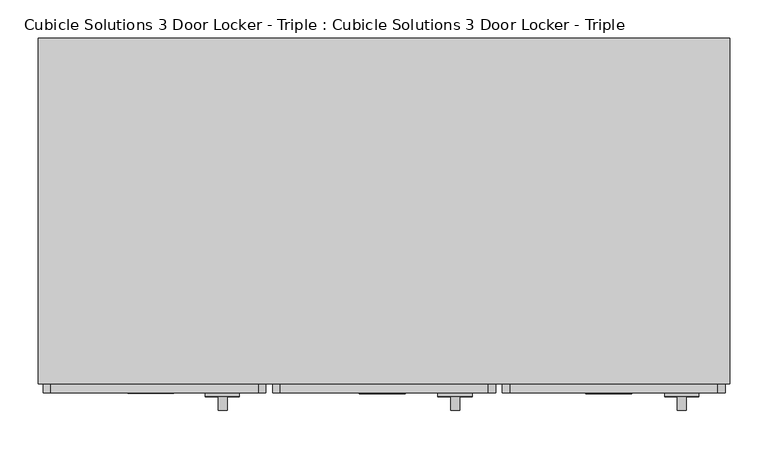
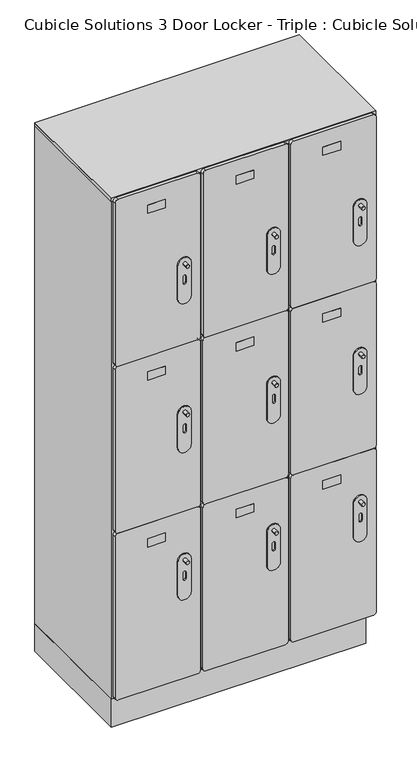
"""IFC4 building model written with IfcOpenShell, lengths in millimetres: proxy geometry, Cubicle Solutions 3 Door Locker - Triple : Cubicle Solutions 3 Door Locker - Triple."""

from ifc_helpers import new_model, si_unit, point, frame, frame_2d, origin, origin_with_axes, place, context, project, spatial, polyline, circle_curve, trimmed, segment, composite_curve, outline, extrude, source, transform, mapped, element, save


def cubicle_solutions_3_door_locker_triple_cubicle_solutions_3_a6ad592a(model_context):
    return source(origin(), model_context, "Body", "SweptSolid", [
        extrude(outline(composite_curve([segment(polyline([(700.0, 884.1229248), (700.0, 614.1229248)]), True, "CONTINUOUS"), segment(trimmed(circle_curve(frame_2d((690.0, 614.1229248)), 10.0), [point((700.0, 614.1229248))], [point((690.0, 604.1229248))], False, "CARTESIAN"), True, "CONTINUOUS"), segment(polyline([(690.0, 604.1229248), (110.0, 604.1229248)]), True, "CONTINUOUS"), segment(trimmed(circle_curve(frame_2d((110.0, 614.1229248)), 10.0), [point((110.0, 604.1229248))], [point((100.0, 614.1229248))], False, "CARTESIAN"), True, "CONTINUOUS"), segment(polyline([(100.0, 614.1229248), (100.0, 884.1229248)]), True, "CONTINUOUS"), segment(trimmed(circle_curve(frame_2d((110.0, 884.1229248)), 10.0), [point((100.0, 884.1229248))], [point((110.0, 894.1229248))], False, "CARTESIAN"), True, "CONTINUOUS"), segment(polyline([(110.0, 894.1229248), (690.0, 894.1229248)]), True, "CONTINUOUS"), segment(trimmed(circle_curve(frame_2d((690.0, 884.1229248)), 10.0), [point((690.0, 894.1229248))], [point((700.0, 884.1229248))], False, "CARTESIAN"), True, "CONTINUOUS")], self_intersect=False)), frame((0.0, -12.0, 0.0), z_axis=(0.0, 1.0, 0.0), x_axis=(0.0, 0.0, 1.0)), (0.0, 0.0, 1.0), 12.0),
        extrude(outline(composite_curve([segment(polyline([(1899.9999569, 585.2186279), (1899.9999569, 315.2186279)]), True, "CONTINUOUS"), segment(trimmed(circle_curve(frame_2d((1889.9999569, 315.2186279)), 10.0), [point((1899.9999569, 315.2186279))], [point((1889.9999569, 305.2186279))], False, "CARTESIAN"), True, "CONTINUOUS"), segment(polyline([(1889.9999569, 305.2186279), (1309.9999569, 305.2186279)]), True, "CONTINUOUS"), segment(trimmed(circle_curve(frame_2d((1309.9999569, 315.2186279)), 10.0), [point((1309.9999569, 305.2186279))], [point((1299.9999569, 315.2186279))], False, "CARTESIAN"), True, "CONTINUOUS"), segment(polyline([(1299.9999569, 315.2186279), (1299.9999569, 585.2186279)]), True, "CONTINUOUS"), segment(trimmed(circle_curve(frame_2d((1309.9999569, 585.2186279)), 10.0), [point((1299.9999569, 585.2186279))], [point((1309.9999569, 595.2186279))], False, "CARTESIAN"), True, "CONTINUOUS"), segment(polyline([(1309.9999569, 595.2186279), (1889.9999569, 595.2186279)]), True, "CONTINUOUS"), segment(trimmed(circle_curve(frame_2d((1889.9999569, 585.2186279)), 10.0), [point((1889.9999569, 595.2186279))], [point((1899.9999569, 585.2186279))], False, "CARTESIAN"), True, "CONTINUOUS")], self_intersect=False)), frame((0.0, -12.0009766, 0.0), z_axis=(0.0, 1.0, 0.0), x_axis=(0.0, 0.0, 1.0)), (0.0, 0.0, 1.0), 12.0),
        extrude(outline(composite_curve([segment(polyline([(1900.0, 286.25), (1900.0, 16.25)]), True, "CONTINUOUS"), segment(trimmed(circle_curve(frame_2d((1890.0, 16.25)), 10.0), [point((1900.0, 16.25))], [point((1890.0, 6.25))], False, "CARTESIAN"), True, "CONTINUOUS"), segment(polyline([(1890.0, 6.25), (1310.0, 6.25)]), True, "CONTINUOUS"), segment(trimmed(circle_curve(frame_2d((1310.0, 16.25)), 10.0), [point((1310.0, 6.25))], [point((1300.0, 16.25))], False, "CARTESIAN"), True, "CONTINUOUS"), segment(polyline([(1300.0, 16.25), (1300.0, 286.25)]), True, "CONTINUOUS"), segment(trimmed(circle_curve(frame_2d((1310.0, 286.25)), 10.0), [point((1300.0, 286.25))], [point((1310.0, 296.25))], False, "CARTESIAN"), True, "CONTINUOUS"), segment(polyline([(1310.0, 296.25), (1890.0, 296.25)]), True, "CONTINUOUS"), segment(trimmed(circle_curve(frame_2d((1890.0, 286.25)), 10.0), [point((1890.0, 296.25))], [point((1900.0, 286.25))], False, "CARTESIAN"), True, "CONTINUOUS")], self_intersect=False)), frame((0.0, -12.0, 0.0), z_axis=(0.0, 1.0, 0.0), x_axis=(0.0, 0.0, 1.0)), (0.0, 0.0, 1.0), 12.0),
        extrude(outline(composite_curve([segment(polyline([(1300.0, 884.1229248), (1300.0, 614.1229248)]), True, "CONTINUOUS"), segment(trimmed(circle_curve(frame_2d((1290.0, 614.1229248)), 10.0), [point((1300.0, 614.1229248))], [point((1290.0, 604.1229248))], False, "CARTESIAN"), True, "CONTINUOUS"), segment(polyline([(1290.0, 604.1229248), (710.0, 604.1229248)]), True, "CONTINUOUS"), segment(trimmed(circle_curve(frame_2d((710.0, 614.1229248)), 10.0), [point((710.0, 604.1229248))], [point((700.0, 614.1229248))], False, "CARTESIAN"), True, "CONTINUOUS"), segment(polyline([(700.0, 614.1229248), (700.0, 884.1229248)]), True, "CONTINUOUS"), segment(trimmed(circle_curve(frame_2d((710.0, 884.1229248)), 10.0), [point((700.0, 884.1229248))], [point((710.0, 894.1229248))], False, "CARTESIAN"), True, "CONTINUOUS"), segment(polyline([(710.0, 894.1229248), (1290.0, 894.1229248)]), True, "CONTINUOUS"), segment(trimmed(circle_curve(frame_2d((1290.0, 884.1229248)), 10.0), [point((1290.0, 894.1229248))], [point((1300.0, 884.1229248))], False, "CARTESIAN"), True, "CONTINUOUS")], self_intersect=False)), frame((0.0, -12.0, 0.0), z_axis=(0.0, 1.0, 0.0), x_axis=(0.0, 0.0, 1.0)), (0.0, 0.0, 1.0), 12.0),
        extrude(outline(composite_curve([segment(polyline([(1300.0, 585.0623779), (1300.0, 315.0623779)]), True, "CONTINUOUS"), segment(trimmed(circle_curve(frame_2d((1290.0, 315.0623779)), 10.0), [point((1300.0, 315.0623779))], [point((1290.0, 305.0623779))], False, "CARTESIAN"), True, "CONTINUOUS"), segment(polyline([(1290.0, 305.0623779), (710.0, 305.0623779)]), True, "CONTINUOUS"), segment(trimmed(circle_curve(frame_2d((710.0, 315.0623779)), 10.0), [point((710.0, 305.0623779))], [point((700.0, 315.0623779))], False, "CARTESIAN"), True, "CONTINUOUS"), segment(polyline([(700.0, 315.0623779), (700.0, 585.0623779)]), True, "CONTINUOUS"), segment(trimmed(circle_curve(frame_2d((710.0, 585.0623779)), 10.0), [point((700.0, 585.0623779))], [point((710.0, 595.0623779))], False, "CARTESIAN"), True, "CONTINUOUS"), segment(polyline([(710.0, 595.0623779), (1290.0, 595.0623779)]), True, "CONTINUOUS"), segment(trimmed(circle_curve(frame_2d((1290.0, 585.0623779)), 10.0), [point((1290.0, 595.0623779))], [point((1300.0, 585.0623779))], False, "CARTESIAN"), True, "CONTINUOUS")], self_intersect=False)), frame((0.0, -12.0004883, 0.0), z_axis=(0.0, 1.0, 0.0), x_axis=(0.0, 0.0, 1.0)), (0.0, 0.0, 1.0), 12.0),
        extrude(outline(composite_curve([segment(polyline([(1300.0, 286.2578125), (1300.0, 16.2578125)]), True, "CONTINUOUS"), segment(trimmed(circle_curve(frame_2d((1290.0, 16.2578125)), 10.0), [point((1300.0, 16.2578125))], [point((1290.0, 6.2578125))], False, "CARTESIAN"), True, "CONTINUOUS"), segment(polyline([(1290.0, 6.2578125), (710.0, 6.2578125)]), True, "CONTINUOUS"), segment(trimmed(circle_curve(frame_2d((710.0, 16.2578125)), 10.0), [point((710.0, 6.2578125))], [point((700.0, 16.2578125))], False, "CARTESIAN"), True, "CONTINUOUS"), segment(polyline([(700.0, 16.2578125), (700.0, 286.2578125)]), True, "CONTINUOUS"), segment(trimmed(circle_curve(frame_2d((710.0, 286.2578125)), 10.0), [point((700.0, 286.2578125))], [point((710.0, 296.2578125))], False, "CARTESIAN"), True, "CONTINUOUS"), segment(polyline([(710.0, 296.2578125), (1290.0, 296.2578125)]), True, "CONTINUOUS"), segment(trimmed(circle_curve(frame_2d((1290.0, 286.2578125)), 10.0), [point((1290.0, 296.2578125))], [point((1300.0, 286.2578125))], False, "CARTESIAN"), True, "CONTINUOUS")], self_intersect=False)), frame((0.0, -11.9882813, 0.0), z_axis=(0.0, 1.0, 0.0), x_axis=(0.0, 0.0, 1.0)), (0.0, 0.0, 1.0), 12.0),
        extrude(outline(composite_curve([segment(polyline([(1900.0, 884.1229248), (1900.0, 614.1229248)]), True, "CONTINUOUS"), segment(trimmed(circle_curve(frame_2d((1890.0, 614.1229248)), 10.0), [point((1900.0, 614.1229248))], [point((1890.0, 604.1229248))], False, "CARTESIAN"), True, "CONTINUOUS"), segment(polyline([(1890.0, 604.1229248), (1310.0, 604.1229248)]), True, "CONTINUOUS"), segment(trimmed(circle_curve(frame_2d((1310.0, 614.1229248)), 10.0), [point((1310.0, 604.1229248))], [point((1300.0, 614.1229248))], False, "CARTESIAN"), True, "CONTINUOUS"), segment(polyline([(1300.0, 614.1229248), (1300.0, 884.1229248)]), True, "CONTINUOUS"), segment(trimmed(circle_curve(frame_2d((1310.0, 884.1229248)), 10.0), [point((1300.0, 884.1229248))], [point((1310.0, 894.1229248))], False, "CARTESIAN"), True, "CONTINUOUS"), segment(polyline([(1310.0, 894.1229248), (1890.0, 894.1229248)]), True, "CONTINUOUS"), segment(trimmed(circle_curve(frame_2d((1890.0, 884.1229248)), 10.0), [point((1890.0, 894.1229248))], [point((1900.0, 884.1229248))], False, "CARTESIAN"), True, "CONTINUOUS")], self_intersect=False)), frame((0.0, -12.0, 0.0), z_axis=(0.0, 1.0, 0.0), x_axis=(0.0, 0.0, 1.0)), (0.0, 0.0, 1.0), 12.0),
        extrude(outline(composite_curve([segment(polyline([(700.0, 585.0625), (700.0, 315.0625)]), True, "CONTINUOUS"), segment(trimmed(circle_curve(frame_2d((690.0, 315.0625)), 10.0), [point((700.0, 315.0625))], [point((690.0, 305.0625))], False, "CARTESIAN"), True, "CONTINUOUS"), segment(polyline([(690.0, 305.0625), (110.0, 305.0625)]), True, "CONTINUOUS"), segment(trimmed(circle_curve(frame_2d((110.0, 315.0625)), 10.0), [point((110.0, 305.0625))], [point((100.0, 315.0625))], False, "CARTESIAN"), True, "CONTINUOUS"), segment(polyline([(100.0, 315.0625), (100.0, 585.0625)]), True, "CONTINUOUS"), segment(trimmed(circle_curve(frame_2d((110.0, 585.0625)), 10.0), [point((100.0, 585.0625))], [point((110.0, 595.0625))], False, "CARTESIAN"), True, "CONTINUOUS"), segment(polyline([(110.0, 595.0625), (690.0, 595.0625)]), True, "CONTINUOUS"), segment(trimmed(circle_curve(frame_2d((690.0, 585.0625)), 10.0), [point((690.0, 595.0625))], [point((700.0, 585.0625))], False, "CARTESIAN"), True, "CONTINUOUS")], self_intersect=False)), frame((0.0, -12.0, 0.0), z_axis=(0.0, 1.0, 0.0), x_axis=(0.0, 0.0, 1.0)), (0.0, 0.0, 1.0), 12.0),
        extrude(outline(composite_curve([segment(polyline([(700.0, 286.2578125), (700.0, 16.2578125)]), True, "CONTINUOUS"), segment(trimmed(circle_curve(frame_2d((690.0, 16.2578125)), 10.0), [point((700.0, 16.2578125))], [point((690.0, 6.2578125))], False, "CARTESIAN"), True, "CONTINUOUS"), segment(polyline([(690.0, 6.2578125), (110.0, 6.2578125)]), True, "CONTINUOUS"), segment(trimmed(circle_curve(frame_2d((110.0, 16.2578125)), 10.0), [point((110.0, 6.2578125))], [point((100.0, 16.2578125))], False, "CARTESIAN"), True, "CONTINUOUS"), segment(polyline([(100.0, 16.2578125), (100.0, 286.2578125)]), True, "CONTINUOUS"), segment(trimmed(circle_curve(frame_2d((110.0, 286.2578125)), 10.0), [point((100.0, 286.2578125))], [point((110.0, 296.2578125))], False, "CARTESIAN"), True, "CONTINUOUS"), segment(polyline([(110.0, 296.2578125), (690.0, 296.2578125)]), True, "CONTINUOUS"), segment(trimmed(circle_curve(frame_2d((690.0, 286.2578125)), 10.0), [point((690.0, 296.2578125))], [point((700.0, 286.2578125))], False, "CARTESIAN"), True, "CONTINUOUS")], self_intersect=False)), frame((0.0, -12.0, 0.0), z_axis=(0.0, 1.0, 0.0), x_axis=(0.0, 0.0, 1.0)), (0.0, 0.0, 1.0), 12.0),
        extrude(outline(composite_curve([segment(trimmed(circle_curve(frame_2d((1594.2120119, 837.6470765)), 6.0), [point((1594.2120119, 831.6470765))], [point((1594.2120119, 843.6470765))], False, "CARTESIAN"), True, "CONTINUOUS"), segment(trimmed(circle_curve(frame_2d((1594.2120119, 837.6470765)), 6.0), [point((1594.2120119, 843.6470765))], [point((1594.2120119, 831.6470765))], False, "CARTESIAN"), True, "CONTINUOUS")], self_intersect=False)), frame((0.0, -34.7391438, 0.0), z_axis=(0.0, 1.0, 0.0), x_axis=(0.0, 0.0, 1.0)), (0.0, 0.0, 1.0), 22.7391438),
        extrude(outline(composite_curve([segment(trimmed(circle_curve(frame_2d((1594.2120119, 542.6470765)), 6.0), [point((1594.2120119, 536.6470765))], [point((1594.2120119, 548.6470765))], False, "CARTESIAN"), True, "CONTINUOUS"), segment(trimmed(circle_curve(frame_2d((1594.2120119, 542.6470765)), 6.0), [point((1594.2120119, 548.6470765))], [point((1594.2120119, 536.6470765))], False, "CARTESIAN"), True, "CONTINUOUS")], self_intersect=False)), frame((0.0, -34.7391438, 0.0), z_axis=(0.0, 1.0, 0.0), x_axis=(0.0, 0.0, 1.0)), (0.0, 0.0, 1.0), 22.7391438),
        extrude(outline(composite_curve([segment(trimmed(circle_curve(frame_2d((1594.2120119, 240.1470765)), 6.0), [point((1594.2120119, 234.1470765))], [point((1594.2120119, 246.1470765))], False, "CARTESIAN"), True, "CONTINUOUS"), segment(trimmed(circle_curve(frame_2d((1594.2120119, 240.1470765)), 6.0), [point((1594.2120119, 246.1470765))], [point((1594.2120119, 234.1470765))], False, "CARTESIAN"), True, "CONTINUOUS")], self_intersect=False)), frame((0.0, -34.7391438, 0.0), z_axis=(0.0, 1.0, 0.0), x_axis=(0.0, 0.0, 1.0)), (0.0, 0.0, 1.0), 22.7391438),
        extrude(outline(composite_curve([segment(trimmed(circle_curve(frame_2d((1060.4620119, 837.6470765)), 6.0), [point((1060.4620119, 831.6470765))], [point((1060.4620119, 843.6470765))], False, "CARTESIAN"), True, "CONTINUOUS"), segment(trimmed(circle_curve(frame_2d((1060.4620119, 837.6470765)), 6.0), [point((1060.4620119, 843.6470765))], [point((1060.4620119, 831.6470765))], False, "CARTESIAN"), True, "CONTINUOUS")], self_intersect=False)), frame((0.0, -34.7391438, 0.0), z_axis=(0.0, 1.0, 0.0), x_axis=(0.0, 0.0, 1.0)), (0.0, 0.0, 1.0), 22.7391438),
        extrude(outline(composite_curve([segment(trimmed(circle_curve(frame_2d((1060.4620119, 542.6470765)), 6.0), [point((1060.4620119, 536.6470765))], [point((1060.4620119, 548.6470765))], False, "CARTESIAN"), True, "CONTINUOUS"), segment(trimmed(circle_curve(frame_2d((1060.4620119, 542.6470765)), 6.0), [point((1060.4620119, 548.6470765))], [point((1060.4620119, 536.6470765))], False, "CARTESIAN"), True, "CONTINUOUS")], self_intersect=False)), frame((0.0, -34.7391438, 0.0), z_axis=(0.0, 1.0, 0.0), x_axis=(0.0, 0.0, 1.0)), (0.0, 0.0, 1.0), 22.7391438),
        extrude(outline(composite_curve([segment(trimmed(circle_curve(frame_2d((1060.4620119, 240.1470765)), 6.0), [point((1060.4620119, 234.1470765))], [point((1060.4620119, 246.1470765))], False, "CARTESIAN"), True, "CONTINUOUS"), segment(trimmed(circle_curve(frame_2d((1060.4620119, 240.1470765)), 6.0), [point((1060.4620119, 246.1470765))], [point((1060.4620119, 234.1470765))], False, "CARTESIAN"), True, "CONTINUOUS")], self_intersect=False)), frame((0.0, -34.7391438, 0.0), z_axis=(0.0, 1.0, 0.0), x_axis=(0.0, 0.0, 1.0)), (0.0, 0.0, 1.0), 22.7391438),
        extrude(outline(composite_curve([segment(trimmed(circle_curve(frame_2d((528.5870119, 837.6470765)), 6.0), [point((528.5870119, 831.6470765))], [point((528.5870119, 843.6470765))], False, "CARTESIAN"), True, "CONTINUOUS"), segment(trimmed(circle_curve(frame_2d((528.5870119, 837.6470765)), 6.0), [point((528.5870119, 843.6470765))], [point((528.5870119, 831.6470765))], False, "CARTESIAN"), True, "CONTINUOUS")], self_intersect=False)), frame((0.0, -34.7391438, 0.0), z_axis=(0.0, 1.0, 0.0), x_axis=(0.0, 0.0, 1.0)), (0.0, 0.0, 1.0), 22.7391438),
        extrude(outline(composite_curve([segment(trimmed(circle_curve(frame_2d((528.5870119, 542.6470765)), 6.0), [point((528.5870119, 536.6470765))], [point((528.5870119, 548.6470765))], False, "CARTESIAN"), True, "CONTINUOUS"), segment(trimmed(circle_curve(frame_2d((528.5870119, 542.6470765)), 6.0), [point((528.5870119, 548.6470765))], [point((528.5870119, 536.6470765))], False, "CARTESIAN"), True, "CONTINUOUS")], self_intersect=False)), frame((0.0, -34.7391438, 0.0), z_axis=(0.0, 1.0, 0.0), x_axis=(0.0, 0.0, 1.0)), (0.0, 0.0, 1.0), 22.7391438),
        extrude(outline(polyline([(899.9979248, 0.0), (0.0, 0.0), (0.0, 450.0000043), (899.9979248, 450.0000043), (899.9979248, 0.0)])), frame((0.0, 0.0, 1890.1581831), z_axis=(0.0, 0.0, 1.0), x_axis=(1.0, 0.0, 0.0)), (0.0, 0.0, 1.0), 12.0),
        extrude(outline(polyline([(772.4979248, -12.96875), (712.4979248, -12.96875), (712.4979248, -9.1045045), (772.4979248, -9.1045045), (772.4979248, -12.96875)])), frame((0.0, 0.0, 1815.0), z_axis=(0.0, 0.0, 1.0), x_axis=(1.0, 0.0, 0.0)), (0.0, 0.0, 1.0), 30.0),
        extrude(outline(polyline([(477.5, -13.125), (417.5, -13.125), (417.5, -9.2607545), (477.5, -9.2607545), (477.5, -13.125)])), frame((0.0, 0.0, 1815.0), z_axis=(0.0, 0.0, 1.0), x_axis=(1.0, 0.0, 0.0)), (0.0, 0.0, 1.0), 30.0),
        extrude(outline(polyline([(176.5091616, -12.7950801), (116.5091616, -12.7950801), (116.5091616, -8.9308346), (176.5091616, -8.9308346), (176.5091616, -12.7950801)])), frame((0.0, 0.0, 1815.0), z_axis=(0.0, 0.0, 1.0), x_axis=(1.0, 0.0, 0.0)), (0.0, 0.0, 1.0), 30.0),
        extrude(outline(polyline([(772.4979248, -12.96875), (712.4979248, -12.96875), (712.4979248, -9.1045045), (772.4979248, -9.1045045), (772.4979248, -12.96875)])), frame((0.0, 0.0, 614.9989542), z_axis=(0.0, 0.0, 1.0), x_axis=(1.0, 0.0, 0.0)), (0.0, 0.0, 1.0), 30.0),
        extrude(outline(polyline([(477.5, -13.125), (417.5, -13.125), (417.5, -9.2607545), (477.5, -9.2607545), (477.5, -13.125)])), frame((0.0, 0.0, 614.9989542), z_axis=(0.0, 0.0, 1.0), x_axis=(1.0, 0.0, 0.0)), (0.0, 0.0, 1.0), 30.0),
        extrude(outline(polyline([(176.5091616, -12.7950801), (116.5091616, -12.7950801), (116.5091616, -8.9308346), (176.5091616, -8.9308346), (176.5091616, -12.7950801)])), frame((0.0, 0.0, 614.9989542), z_axis=(0.0, 0.0, 1.0), x_axis=(1.0, 0.0, 0.0)), (0.0, 0.0, 1.0), 30.0),
        extrude(outline(polyline([(772.4979248, -12.96875), (712.4979248, -12.96875), (712.4979248, -9.1045045), (772.4979248, -9.1045045), (772.4979248, -12.96875)])), frame((0.0, 0.0, 1214.9989542), z_axis=(0.0, 0.0, 1.0), x_axis=(1.0, 0.0, 0.0)), (0.0, 0.0, 1.0), 30.0),
        extrude(outline(polyline([(477.5, -13.125), (417.5, -13.125), (417.5, -9.2607545), (477.5, -9.2607545), (477.5, -13.125)])), frame((0.0, 0.0, 1214.9989542), z_axis=(0.0, 0.0, 1.0), x_axis=(1.0, 0.0, 0.0)), (0.0, 0.0, 1.0), 30.0),
        extrude(outline(polyline([(176.5091616, -12.7950801), (116.5091616, -12.7950801), (116.5091616, -8.9308346), (176.5091616, -8.9308346), (176.5091616, -12.7950801)])), frame((0.0, 0.0, 1214.9989542), z_axis=(0.0, 0.0, 1.0), x_axis=(1.0, 0.0, 0.0)), (0.0, 0.0, 1.0), 30.0),
        extrude(outline(composite_curve([segment(trimmed(circle_curve(frame_2d((528.5870119, 240.1470765)), 6.0), [point((528.5870119, 234.1470765))], [point((528.5870119, 246.1470765))], False, "CARTESIAN"), True, "CONTINUOUS"), segment(trimmed(circle_curve(frame_2d((528.5870119, 240.1470765)), 6.0), [point((528.5870119, 246.1470765))], [point((528.5870119, 234.1470765))], False, "CARTESIAN"), True, "CONTINUOUS")], self_intersect=False)), frame((0.0, -34.7391438, 0.0), z_axis=(0.0, 1.0, 0.0), x_axis=(0.0, 0.0, 1.0)), (0.0, 0.0, 1.0), 22.7391438),
        extrude(outline(composite_curve([segment(polyline([(1472.3614437, 860.0), (1592.7730247, 860.0)]), True, "CONTINUOUS"), segment(trimmed(circle_curve(frame_2d((1592.7730247, 837.6362334)), 22.3637666), [point((1592.7730247, 860.0))], [point((1592.7730247, 815.2724668))], False, "CARTESIAN"), True, "CONTINUOUS"), segment(polyline([(1592.7730247, 815.2724668), (1472.3614437, 815.2724668)]), True, "CONTINUOUS"), segment(trimmed(circle_curve(frame_2d((1472.3614437, 837.6362334)), 22.3637666), [point((1472.3614437, 815.2724668))], [point((1472.3614437, 860.0))], False, "CARTESIAN"), True, "CONTINUOUS")], self_intersect=False), holes=[composite_curve([segment(polyline([(1525.4717151, 833.0162418), (1546.8434696, 833.0162418)]), True, "CONTINUOUS"), segment(trimmed(circle_curve(frame_2d((1546.8434696, 838.0162418)), 5.0), [point((1546.8434696, 833.0162418))], [point((1546.8434696, 843.0162418))], True, "CARTESIAN"), True, "CONTINUOUS"), segment(polyline([(1546.8434696, 843.0162418), (1525.4717151, 843.0162418)]), True, "CONTINUOUS"), segment(trimmed(circle_curve(frame_2d((1525.4717151, 838.0162418)), 5.0), [point((1525.4717151, 843.0162418))], [point((1525.4717151, 833.0162418))], True, "CARTESIAN"), True, "CONTINUOUS")], self_intersect=False)]), frame((0.0, -16.7868559, 0.0), z_axis=(0.0, 1.0, 0.0), x_axis=(0.0, 0.0, 1.0)), (0.0, 0.0, 1.0), 4.7868559),
        extrude(outline(composite_curve([segment(polyline([(1472.3614437, 565.0), (1592.7730247, 565.0)]), True, "CONTINUOUS"), segment(trimmed(circle_curve(frame_2d((1592.7730247, 542.6362334)), 22.3637666), [point((1592.7730247, 565.0))], [point((1592.7730247, 520.2724668))], False, "CARTESIAN"), True, "CONTINUOUS"), segment(polyline([(1592.7730247, 520.2724668), (1472.3614437, 520.2724668)]), True, "CONTINUOUS"), segment(trimmed(circle_curve(frame_2d((1472.3614437, 542.6362334)), 22.3637666), [point((1472.3614437, 520.2724668))], [point((1472.3614437, 565.0))], False, "CARTESIAN"), True, "CONTINUOUS")], self_intersect=False), holes=[composite_curve([segment(polyline([(1525.4717151, 538.0162418), (1546.8434696, 538.0162418)]), True, "CONTINUOUS"), segment(trimmed(circle_curve(frame_2d((1546.8434696, 543.0162418)), 5.0), [point((1546.8434696, 538.0162418))], [point((1546.8434696, 548.0162418))], True, "CARTESIAN"), True, "CONTINUOUS"), segment(polyline([(1546.8434696, 548.0162418), (1525.4717151, 548.0162418)]), True, "CONTINUOUS"), segment(trimmed(circle_curve(frame_2d((1525.4717151, 543.0162418)), 5.0), [point((1525.4717151, 548.0162418))], [point((1525.4717151, 538.0162418))], True, "CARTESIAN"), True, "CONTINUOUS")], self_intersect=False)]), frame((0.0, -16.7868559, 0.0), z_axis=(0.0, 1.0, 0.0), x_axis=(0.0, 0.0, 1.0)), (0.0, 0.0, 1.0), 4.7868559),
        extrude(outline(composite_curve([segment(polyline([(1472.3614437, 261.8383809), (1592.7730247, 261.8383809)]), True, "CONTINUOUS"), segment(trimmed(circle_curve(frame_2d((1592.7730247, 239.4746143)), 22.3637666), [point((1592.7730247, 261.8383809))], [point((1592.7730247, 217.1108477))], False, "CARTESIAN"), True, "CONTINUOUS"), segment(polyline([(1592.7730247, 217.1108477), (1472.3614437, 217.1108477)]), True, "CONTINUOUS"), segment(trimmed(circle_curve(frame_2d((1472.3614437, 239.4746143)), 22.3637666), [point((1472.3614437, 217.1108477))], [point((1472.3614437, 261.8383809))], False, "CARTESIAN"), True, "CONTINUOUS")], self_intersect=False), holes=[composite_curve([segment(polyline([(1525.4717151, 234.5421227), (1546.8434696, 234.5421227)]), True, "CONTINUOUS"), segment(trimmed(circle_curve(frame_2d((1546.8434696, 239.5421227)), 5.0), [point((1546.8434696, 234.5421227))], [point((1546.8434696, 244.5421227))], True, "CARTESIAN"), True, "CONTINUOUS"), segment(polyline([(1546.8434696, 244.5421227), (1525.4717151, 244.5421227)]), True, "CONTINUOUS"), segment(trimmed(circle_curve(frame_2d((1525.4717151, 239.5421227)), 5.0), [point((1525.4717151, 244.5421227))], [point((1525.4717151, 234.5421227))], True, "CARTESIAN"), True, "CONTINUOUS")], self_intersect=False)]), frame((0.0, -16.7868559, 0.0), z_axis=(0.0, 1.0, 0.0), x_axis=(0.0, 0.0, 1.0)), (0.0, 0.0, 1.0), 4.7868559),
        extrude(outline(composite_curve([segment(polyline([(937.224725, 860.0), (1057.6363059, 860.0)]), True, "CONTINUOUS"), segment(trimmed(circle_curve(frame_2d((1057.6363059, 837.6362334)), 22.3637666), [point((1057.6363059, 860.0))], [point((1057.6363059, 815.2724668))], False, "CARTESIAN"), True, "CONTINUOUS"), segment(polyline([(1057.6363059, 815.2724668), (937.224725, 815.2724668)]), True, "CONTINUOUS"), segment(trimmed(circle_curve(frame_2d((937.224725, 837.6362334)), 22.3637666), [point((937.224725, 815.2724668))], [point((937.224725, 860.0))], False, "CARTESIAN"), True, "CONTINUOUS")], self_intersect=False), holes=[composite_curve([segment(polyline([(990.3349964, 833.0162418), (1011.7067509, 833.0162418)]), True, "CONTINUOUS"), segment(trimmed(circle_curve(frame_2d((1011.7067509, 838.0162418)), 5.0), [point((1011.7067509, 833.0162418))], [point((1011.7067509, 843.0162418))], True, "CARTESIAN"), True, "CONTINUOUS"), segment(polyline([(1011.7067509, 843.0162418), (990.3349964, 843.0162418)]), True, "CONTINUOUS"), segment(trimmed(circle_curve(frame_2d((990.3349964, 838.0162418)), 5.0), [point((990.3349964, 843.0162418))], [point((990.3349964, 833.0162418))], True, "CARTESIAN"), True, "CONTINUOUS")], self_intersect=False)]), frame((0.0, -16.7868559, 0.0), z_axis=(0.0, 1.0, 0.0), x_axis=(0.0, 0.0, 1.0)), (0.0, 0.0, 1.0), 4.7868559),
        extrude(outline(composite_curve([segment(polyline([(937.224725, 565.0), (1057.6363059, 565.0)]), True, "CONTINUOUS"), segment(trimmed(circle_curve(frame_2d((1057.6363059, 542.6362334)), 22.3637666), [point((1057.6363059, 565.0))], [point((1057.6363059, 520.2724668))], False, "CARTESIAN"), True, "CONTINUOUS"), segment(polyline([(1057.6363059, 520.2724668), (937.224725, 520.2724668)]), True, "CONTINUOUS"), segment(trimmed(circle_curve(frame_2d((937.224725, 542.6362334)), 22.3637666), [point((937.224725, 520.2724668))], [point((937.224725, 565.0))], False, "CARTESIAN"), True, "CONTINUOUS")], self_intersect=False), holes=[composite_curve([segment(polyline([(990.3349964, 538.9537418), (1011.7067509, 538.9537418)]), True, "CONTINUOUS"), segment(trimmed(circle_curve(frame_2d((1011.7067509, 543.9537418)), 5.0), [point((1011.7067509, 538.9537418))], [point((1011.7067509, 548.9537418))], True, "CARTESIAN"), True, "CONTINUOUS"), segment(polyline([(1011.7067509, 548.9537418), (990.3349964, 548.9537418)]), True, "CONTINUOUS"), segment(trimmed(circle_curve(frame_2d((990.3349964, 543.9537418)), 5.0), [point((990.3349964, 548.9537418))], [point((990.3349964, 538.9537418))], True, "CARTESIAN"), True, "CONTINUOUS")], self_intersect=False)]), frame((0.0, -16.7868559, 0.0), z_axis=(0.0, 1.0, 0.0), x_axis=(0.0, 0.0, 1.0)), (0.0, 0.0, 1.0), 4.7868559),
        extrude(outline(composite_curve([segment(polyline([(937.224725, 261.8383809), (1057.6363059, 261.8383809)]), True, "CONTINUOUS"), segment(trimmed(circle_curve(frame_2d((1057.6363059, 239.4746143)), 22.3637666), [point((1057.6363059, 261.8383809))], [point((1057.6363059, 217.1108477))], False, "CARTESIAN"), True, "CONTINUOUS"), segment(polyline([(1057.6363059, 217.1108477), (937.224725, 217.1108477)]), True, "CONTINUOUS"), segment(trimmed(circle_curve(frame_2d((937.224725, 239.4746143)), 22.3637666), [point((937.224725, 217.1108477))], [point((937.224725, 261.8383809))], False, "CARTESIAN"), True, "CONTINUOUS")], self_intersect=False), holes=[composite_curve([segment(polyline([(990.3349964, 235.7921227), (1011.7067509, 235.7921227)]), True, "CONTINUOUS"), segment(trimmed(circle_curve(frame_2d((1011.7067509, 240.7921227)), 5.0), [point((1011.7067509, 235.7921227))], [point((1011.7067509, 245.7921227))], True, "CARTESIAN"), True, "CONTINUOUS"), segment(polyline([(1011.7067509, 245.7921227), (990.3349964, 245.7921227)]), True, "CONTINUOUS"), segment(trimmed(circle_curve(frame_2d((990.3349964, 240.7921227)), 5.0), [point((990.3349964, 245.7921227))], [point((990.3349964, 235.7921227))], True, "CARTESIAN"), True, "CONTINUOUS")], self_intersect=False)]), frame((0.0, -16.7868559, 0.0), z_axis=(0.0, 1.0, 0.0), x_axis=(0.0, 0.0, 1.0)), (0.0, 0.0, 1.0), 4.7868559),
        extrude(outline(composite_curve([segment(polyline([(407.224725, 860.0), (527.6363059, 860.0)]), True, "CONTINUOUS"), segment(trimmed(circle_curve(frame_2d((527.6363059, 837.6362334)), 22.3637666), [point((527.6363059, 860.0))], [point((527.6363059, 815.2724668))], False, "CARTESIAN"), True, "CONTINUOUS"), segment(polyline([(527.6363059, 815.2724668), (407.224725, 815.2724668)]), True, "CONTINUOUS"), segment(trimmed(circle_curve(frame_2d((407.224725, 837.6362334)), 22.3637666), [point((407.224725, 815.2724668))], [point((407.224725, 860.0))], False, "CARTESIAN"), True, "CONTINUOUS")], self_intersect=False), holes=[composite_curve([segment(polyline([(460.3349964, 833.3287418), (481.7067509, 833.3287418)]), True, "CONTINUOUS"), segment(trimmed(circle_curve(frame_2d((481.7067509, 838.3287418)), 5.0), [point((481.7067509, 833.3287418))], [point((481.7067509, 843.3287418))], True, "CARTESIAN"), True, "CONTINUOUS"), segment(polyline([(481.7067509, 843.3287418), (460.3349964, 843.3287418)]), True, "CONTINUOUS"), segment(trimmed(circle_curve(frame_2d((460.3349964, 838.3287418)), 5.0), [point((460.3349964, 843.3287418))], [point((460.3349964, 833.3287418))], True, "CARTESIAN"), True, "CONTINUOUS")], self_intersect=False)]), frame((0.0, -16.7868559, 0.0), z_axis=(0.0, 1.0, 0.0), x_axis=(0.0, 0.0, 1.0)), (0.0, 0.0, 1.0), 4.7868559),
        extrude(outline(composite_curve([segment(polyline([(407.224725, 565.0), (527.6363059, 565.0)]), True, "CONTINUOUS"), segment(trimmed(circle_curve(frame_2d((527.6363059, 542.6362334)), 22.3637666), [point((527.6363059, 565.0))], [point((527.6363059, 520.2724668))], False, "CARTESIAN"), True, "CONTINUOUS"), segment(polyline([(527.6363059, 520.2724668), (407.224725, 520.2724668)]), True, "CONTINUOUS"), segment(trimmed(circle_curve(frame_2d((407.224725, 542.6362334)), 22.3637666), [point((407.224725, 520.2724668))], [point((407.224725, 565.0))], False, "CARTESIAN"), True, "CONTINUOUS")], self_intersect=False), holes=[composite_curve([segment(polyline([(460.3349964, 538.3287418), (481.7067509, 538.3287418)]), True, "CONTINUOUS"), segment(trimmed(circle_curve(frame_2d((481.7067509, 543.3287418)), 5.0), [point((481.7067509, 538.3287418))], [point((481.7067509, 548.3287418))], True, "CARTESIAN"), True, "CONTINUOUS"), segment(polyline([(481.7067509, 548.3287418), (460.3349964, 548.3287418)]), True, "CONTINUOUS"), segment(trimmed(circle_curve(frame_2d((460.3349964, 543.3287418)), 5.0), [point((460.3349964, 548.3287418))], [point((460.3349964, 538.3287418))], True, "CARTESIAN"), True, "CONTINUOUS")], self_intersect=False)]), frame((0.0, -16.7868559, 0.0), z_axis=(0.0, 1.0, 0.0), x_axis=(0.0, 0.0, 1.0)), (0.0, 0.0, 1.0), 4.7868559),
        extrude(outline(composite_curve([segment(polyline([(407.224725, 261.8383809), (527.6363059, 261.8383809)]), True, "CONTINUOUS"), segment(trimmed(circle_curve(frame_2d((527.6363059, 239.4746143)), 22.3637666), [point((527.6363059, 261.8383809))], [point((527.6363059, 217.1108477))], False, "CARTESIAN"), True, "CONTINUOUS"), segment(polyline([(527.6363059, 217.1108477), (407.224725, 217.1108477)]), True, "CONTINUOUS"), segment(trimmed(circle_curve(frame_2d((407.224725, 239.4746143)), 22.3637666), [point((407.224725, 217.1108477))], [point((407.224725, 261.8383809))], False, "CARTESIAN"), True, "CONTINUOUS")], self_intersect=False), holes=[composite_curve([segment(polyline([(460.3349964, 234.5421227), (481.7067509, 234.5421227)]), True, "CONTINUOUS"), segment(trimmed(circle_curve(frame_2d((481.7067509, 239.5421227)), 5.0), [point((481.7067509, 234.5421227))], [point((481.7067509, 244.5421227))], True, "CARTESIAN"), True, "CONTINUOUS"), segment(polyline([(481.7067509, 244.5421227), (460.3349964, 244.5421227)]), True, "CONTINUOUS"), segment(trimmed(circle_curve(frame_2d((460.3349964, 239.5421227)), 5.0), [point((460.3349964, 244.5421227))], [point((460.3349964, 234.5421227))], True, "CARTESIAN"), True, "CONTINUOUS")], self_intersect=False)]), frame((0.0, -16.7868559, 0.0), z_axis=(0.0, 1.0, 0.0), x_axis=(0.0, 0.0, 1.0)), (0.0, 0.0, 1.0), 4.7868559),
        extrude(outline(polyline([(864.9979248, 0.0), (0.0, 0.0), (0.0, 450.0000043), (864.9979248, 450.0000043), (864.9979248, 0.0)])), origin_with_axes(), (0.0, 0.0, 1.0), 100.0),
        extrude(outline(polyline([(599.9979248, 450.0000043), (899.9979248, 450.0000043), (899.9979248, 4.3e-06), (599.9979248, 4.3e-06), (0.0, 4.3e-06), (0.0, 450.0000043), (599.9979248, 450.0000043)]), holes=[polyline([(593.6854248, 446.0000043), (306.0, 446.0000043), (306.0, 12.0000043), (593.6854248, 12.0000043), (593.6854248, 446.0000043)]), polyline([(605.6854248, 446.0000043), (605.6854248, 12.0000043), (887.9979248, 12.0000043), (887.9979248, 446.0000043), (605.6854248, 446.0000043)]), polyline([(294.0, 446.0000043), (12.0, 446.0000043), (12.0, 12.0000043), (294.0, 12.0000043), (294.0, 446.0000043)])]), frame((0.0, 0.0, 100.0), z_axis=(0.0, 0.0, 1.0), x_axis=(1.0, 0.0, 0.0)), (0.0, 0.0, 1.0), 1800.0),
    ])


if __name__ == "__main__":
    model = new_model("IFC4")
    model_context = context("Model", 3, world=origin())
    ifc_project = project(units=[si_unit("LENGTHUNIT", "METRE", prefix="MILLI")], contexts=[model_context])
    site = spatial("IfcSite", under=ifc_project)
    building = spatial("IfcBuilding", under=site)
    placement = place(None, origin())
    cubicle_solutions_3_door_locker_triple_cubicle_solutions_3_shape = cubicle_solutions_3_door_locker_triple_cubicle_solutions_3_a6ad592a(model_context)
    element("IfcBuildingElementProxy", 1, Name="Cubicle Solutions 3 Door Locker - Triple : Cubicle Solutions 3 Door Locker - Triple", ObjectType="Cubicle Solutions 3 Door Locker - Triple : Cubicle Solutions 3 Door Locker - Triple", at=placement, inside=building, context=model_context, shape_type="MappedRepresentation", body=[
        mapped(cubicle_solutions_3_door_locker_triple_cubicle_solutions_3_shape, transform((0.0, 0.0, 0.0), x_axis=(1.0, 0.0, 0.0), y_axis=(0.0, 1.0, 0.0), z_axis=(0.0, 0.0, 1.0))),
    ])
    save(model, "model.ifc")
